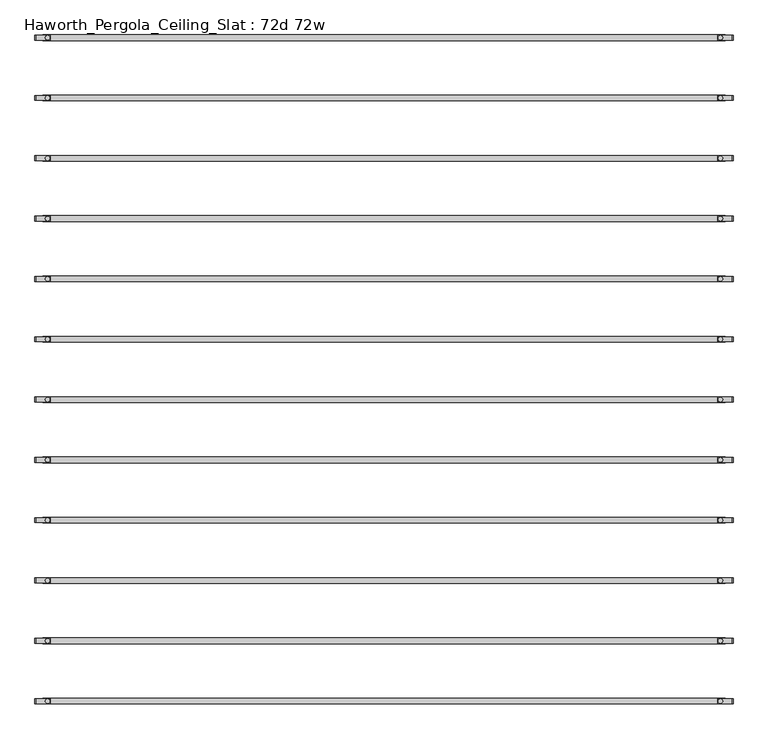
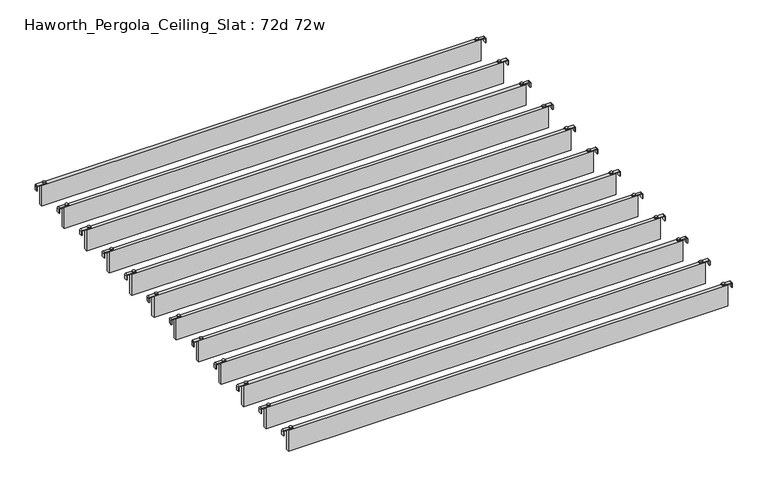
"""IFC4 building model written with IfcOpenShell, lengths in millimetres: furniture geometry, Haworth_Pergola_Ceiling_Slat : 72d 72w."""

from ifc_helpers import new_model, si_unit, point, frame, frame_2d, origin, place, context, project, spatial, polyline, circle_curve, trimmed, segment, composite_curve, outline, extrude, source, transform, mapped, element, save


def haworth_pergola_ceiling_slat_72d_72w_d11750d4(model_context):
    return source(origin(), model_context, "Body", "SweptSolid", [
        extrude(outline(composite_curve([segment(trimmed(circle_curve(frame_2d((938.8, -611.3433636)), 5.9838099), [point((932.8161901, -611.3433636))], [point((944.7838099, -611.3433636))], False, "CARTESIAN"), True, "CONTINUOUS"), segment(trimmed(circle_curve(frame_2d((938.8, -611.3433636)), 5.9838099), [point((944.7838099, -611.3433636))], [point((932.8161901, -611.3433636))], False, "CARTESIAN"), True, "CONTINUOUS")], self_intersect=False)), frame((0.0, 0.0, 2440.9329992), z_axis=(0.0, 0.0, 1.0), x_axis=(1.0, 0.0, 0.0)), (0.0, 0.0, 1.0), 3.4400008),
        extrude(outline(composite_curve([segment(trimmed(circle_curve(frame_2d((-862.6, -611.3433636)), 5.9838099), [point((-856.6161901, -611.3433636))], [point((-868.5838099, -611.3433636))], False, "CARTESIAN"), True, "CONTINUOUS"), segment(trimmed(circle_curve(frame_2d((-862.6, -611.3433636)), 5.9838099), [point((-868.5838099, -611.3433636))], [point((-856.6161901, -611.3433636))], False, "CARTESIAN"), True, "CONTINUOUS")], self_intersect=False)), frame((0.0, 0.0, 2440.9329992), z_axis=(0.0, 0.0, 1.0), x_axis=(1.0, 0.0, 0.0)), (0.0, 0.0, 1.0), 3.4400008),
        extrude(outline(composite_curve([segment(polyline([(2419.2231711, 972.96), (2437.2499992, 972.96)]), True, "CONTINUOUS"), segment(trimmed(circle_curve(frame_2d((2437.2499992, 969.277)), 3.683), [point((2437.2499992, 972.96))], [point((2440.9329992, 969.277))], False, "CARTESIAN"), True, "CONTINUOUS"), segment(polyline([(2440.9329992, 969.277), (2440.9329992, 932.3), (2438.2729997, 932.3), (2438.2729997, 969.2905568)]), True, "CONTINUOUS"), segment(trimmed(circle_curve(frame_2d((2437.2635571, 969.2905568)), 1.0094425), [point((2438.2729997, 969.2905568))], [point((2437.2635571, 970.2999993))], True, "CARTESIAN"), True, "CONTINUOUS"), segment(polyline([(2437.2635571, 970.2999993), (2419.2231711, 970.2999993), (2419.2231711, 972.96)]), True, "CONTINUOUS")], self_intersect=False)), frame((0.0, -617.836364, 0.0), z_axis=(0.0, 1.0, 0.0), x_axis=(0.0, 0.0, 1.0)), (0.0, 0.0, 1.0), 13.0),
        extrude(outline(composite_curve([segment(polyline([(2419.2231711, -896.76), (2419.2231711, -894.0999993), (2437.2635571, -894.0999993)]), True, "CONTINUOUS"), segment(trimmed(circle_curve(frame_2d((2437.2635571, -893.0905568)), 1.0094425), [point((2437.2635571, -894.0999993))], [point((2438.2729997, -893.0905568))], True, "CARTESIAN"), True, "CONTINUOUS"), segment(polyline([(2438.2729997, -893.0905568), (2438.2729997, -856.1), (2440.9329992, -856.1), (2440.9329992, -893.077)]), True, "CONTINUOUS"), segment(trimmed(circle_curve(frame_2d((2437.2499992, -893.077)), 3.683), [point((2440.9329992, -893.077))], [point((2437.2499992, -896.76))], False, "CARTESIAN"), True, "CONTINUOUS"), segment(polyline([(2437.2499992, -896.76), (2419.2231711, -896.76)]), True, "CONTINUOUS")], self_intersect=False)), frame((0.0, -617.836364, 0.0), z_axis=(0.0, 1.0, 0.0), x_axis=(0.0, 0.0, 1.0)), (0.0, 0.0, 1.0), 13.0),
        extrude(outline(polyline([(-876.3, -618.8363636), (-876.3, -603.8503636), (952.5, -603.8503636), (952.5, -618.8363636), (-876.3, -618.8363636)])), frame((0.0, 0.0, 2346.198), z_axis=(0.0, 0.0, 1.0), x_axis=(1.0, 0.0, 0.0)), (0.0, 0.0, 1.0), 92.202),
        extrude(outline(composite_curve([segment(trimmed(circle_curve(frame_2d((938.8, -772.9797273)), 5.9838099), [point((932.8161901, -772.9797273))], [point((944.7838099, -772.9797273))], False, "CARTESIAN"), True, "CONTINUOUS"), segment(trimmed(circle_curve(frame_2d((938.8, -772.9797273)), 5.9838099), [point((944.7838099, -772.9797273))], [point((932.8161901, -772.9797273))], False, "CARTESIAN"), True, "CONTINUOUS")], self_intersect=False)), frame((0.0, 0.0, 2440.9329992), z_axis=(0.0, 0.0, 1.0), x_axis=(1.0, 0.0, 0.0)), (0.0, 0.0, 1.0), 3.4400008),
        extrude(outline(composite_curve([segment(trimmed(circle_curve(frame_2d((-862.6, -772.9797273)), 5.9838099), [point((-856.6161901, -772.9797273))], [point((-868.5838099, -772.9797273))], False, "CARTESIAN"), True, "CONTINUOUS"), segment(trimmed(circle_curve(frame_2d((-862.6, -772.9797273)), 5.9838099), [point((-868.5838099, -772.9797273))], [point((-856.6161901, -772.9797273))], False, "CARTESIAN"), True, "CONTINUOUS")], self_intersect=False)), frame((0.0, 0.0, 2440.9329992), z_axis=(0.0, 0.0, 1.0), x_axis=(1.0, 0.0, 0.0)), (0.0, 0.0, 1.0), 3.4400008),
        extrude(outline(composite_curve([segment(polyline([(2419.2231711, 972.96), (2437.2499992, 972.96)]), True, "CONTINUOUS"), segment(trimmed(circle_curve(frame_2d((2437.2499992, 969.277)), 3.683), [point((2437.2499992, 972.96))], [point((2440.9329992, 969.277))], False, "CARTESIAN"), True, "CONTINUOUS"), segment(polyline([(2440.9329992, 969.277), (2440.9329992, 932.3), (2438.2729997, 932.3), (2438.2729997, 969.2905568)]), True, "CONTINUOUS"), segment(trimmed(circle_curve(frame_2d((2437.2635571, 969.2905568)), 1.0094425), [point((2438.2729997, 969.2905568))], [point((2437.2635571, 970.2999993))], True, "CARTESIAN"), True, "CONTINUOUS"), segment(polyline([(2437.2635571, 970.2999993), (2419.2231711, 970.2999993), (2419.2231711, 972.96)]), True, "CONTINUOUS")], self_intersect=False)), frame((0.0, -779.4727276, 0.0), z_axis=(0.0, 1.0, 0.0), x_axis=(0.0, 0.0, 1.0)), (0.0, 0.0, 1.0), 13.0),
        extrude(outline(composite_curve([segment(polyline([(2419.2231711, -896.76), (2419.2231711, -894.0999993), (2437.2635571, -894.0999993)]), True, "CONTINUOUS"), segment(trimmed(circle_curve(frame_2d((2437.2635571, -893.0905568)), 1.0094425), [point((2437.2635571, -894.0999993))], [point((2438.2729997, -893.0905568))], True, "CARTESIAN"), True, "CONTINUOUS"), segment(polyline([(2438.2729997, -893.0905568), (2438.2729997, -856.1), (2440.9329992, -856.1), (2440.9329992, -893.077)]), True, "CONTINUOUS"), segment(trimmed(circle_curve(frame_2d((2437.2499992, -893.077)), 3.683), [point((2440.9329992, -893.077))], [point((2437.2499992, -896.76))], False, "CARTESIAN"), True, "CONTINUOUS"), segment(polyline([(2437.2499992, -896.76), (2419.2231711, -896.76)]), True, "CONTINUOUS")], self_intersect=False)), frame((0.0, -779.4727276, 0.0), z_axis=(0.0, 1.0, 0.0), x_axis=(0.0, 0.0, 1.0)), (0.0, 0.0, 1.0), 13.0),
        extrude(outline(polyline([(-876.3, -780.4727273), (-876.3, -765.4867273), (952.5, -765.4867273), (952.5, -780.4727273), (-876.3, -780.4727273)])), frame((0.0, 0.0, 2346.198), z_axis=(0.0, 0.0, 1.0), x_axis=(1.0, 0.0, 0.0)), (0.0, 0.0, 1.0), 92.202),
        extrude(outline(composite_curve([segment(trimmed(circle_curve(frame_2d((938.8, -934.6160909)), 5.9838099), [point((932.8161901, -934.6160909))], [point((944.7838099, -934.6160909))], False, "CARTESIAN"), True, "CONTINUOUS"), segment(trimmed(circle_curve(frame_2d((938.8, -934.6160909)), 5.9838099), [point((944.7838099, -934.6160909))], [point((932.8161901, -934.6160909))], False, "CARTESIAN"), True, "CONTINUOUS")], self_intersect=False)), frame((0.0, 0.0, 2440.9329992), z_axis=(0.0, 0.0, 1.0), x_axis=(1.0, 0.0, 0.0)), (0.0, 0.0, 1.0), 3.4400008),
        extrude(outline(composite_curve([segment(trimmed(circle_curve(frame_2d((-862.6, -934.6160909)), 5.9838099), [point((-856.6161901, -934.6160909))], [point((-868.5838099, -934.6160909))], False, "CARTESIAN"), True, "CONTINUOUS"), segment(trimmed(circle_curve(frame_2d((-862.6, -934.6160909)), 5.9838099), [point((-868.5838099, -934.6160909))], [point((-856.6161901, -934.6160909))], False, "CARTESIAN"), True, "CONTINUOUS")], self_intersect=False)), frame((0.0, 0.0, 2440.9329992), z_axis=(0.0, 0.0, 1.0), x_axis=(1.0, 0.0, 0.0)), (0.0, 0.0, 1.0), 3.4400008),
        extrude(outline(composite_curve([segment(polyline([(2419.2231711, 972.96), (2437.2499992, 972.96)]), True, "CONTINUOUS"), segment(trimmed(circle_curve(frame_2d((2437.2499992, 969.277)), 3.683), [point((2437.2499992, 972.96))], [point((2440.9329992, 969.277))], False, "CARTESIAN"), True, "CONTINUOUS"), segment(polyline([(2440.9329992, 969.277), (2440.9329992, 932.3), (2438.2729997, 932.3), (2438.2729997, 969.2905568)]), True, "CONTINUOUS"), segment(trimmed(circle_curve(frame_2d((2437.2635571, 969.2905568)), 1.0094425), [point((2438.2729997, 969.2905568))], [point((2437.2635571, 970.2999993))], True, "CARTESIAN"), True, "CONTINUOUS"), segment(polyline([(2437.2635571, 970.2999993), (2419.2231711, 970.2999993), (2419.2231711, 972.96)]), True, "CONTINUOUS")], self_intersect=False)), frame((0.0, -941.1090912, 0.0), z_axis=(0.0, 1.0, 0.0), x_axis=(0.0, 0.0, 1.0)), (0.0, 0.0, 1.0), 13.0),
        extrude(outline(composite_curve([segment(polyline([(2419.2231711, -896.76), (2419.2231711, -894.0999993), (2437.2635571, -894.0999993)]), True, "CONTINUOUS"), segment(trimmed(circle_curve(frame_2d((2437.2635571, -893.0905568)), 1.0094425), [point((2437.2635571, -894.0999993))], [point((2438.2729997, -893.0905568))], True, "CARTESIAN"), True, "CONTINUOUS"), segment(polyline([(2438.2729997, -893.0905568), (2438.2729997, -856.1), (2440.9329992, -856.1), (2440.9329992, -893.077)]), True, "CONTINUOUS"), segment(trimmed(circle_curve(frame_2d((2437.2499992, -893.077)), 3.683), [point((2440.9329992, -893.077))], [point((2437.2499992, -896.76))], False, "CARTESIAN"), True, "CONTINUOUS"), segment(polyline([(2437.2499992, -896.76), (2419.2231711, -896.76)]), True, "CONTINUOUS")], self_intersect=False)), frame((0.0, -941.1090912, 0.0), z_axis=(0.0, 1.0, 0.0), x_axis=(0.0, 0.0, 1.0)), (0.0, 0.0, 1.0), 13.0),
        extrude(outline(polyline([(-876.3, -942.1090909), (-876.3, -927.1230909), (952.5, -927.1230909), (952.5, -942.1090909), (-876.3, -942.1090909)])), frame((0.0, 0.0, 2346.198), z_axis=(0.0, 0.0, 1.0), x_axis=(1.0, 0.0, 0.0)), (0.0, 0.0, 1.0), 92.202),
        extrude(outline(composite_curve([segment(trimmed(circle_curve(frame_2d((938.8, -1096.2524545)), 5.9838099), [point((932.8161901, -1096.2524545))], [point((944.7838099, -1096.2524545))], False, "CARTESIAN"), True, "CONTINUOUS"), segment(trimmed(circle_curve(frame_2d((938.8, -1096.2524545)), 5.9838099), [point((944.7838099, -1096.2524545))], [point((932.8161901, -1096.2524545))], False, "CARTESIAN"), True, "CONTINUOUS")], self_intersect=False)), frame((0.0, 0.0, 2440.9329992), z_axis=(0.0, 0.0, 1.0), x_axis=(1.0, 0.0, 0.0)), (0.0, 0.0, 1.0), 3.4400008),
        extrude(outline(composite_curve([segment(trimmed(circle_curve(frame_2d((-862.6, -1096.2524545)), 5.9838099), [point((-856.6161901, -1096.2524545))], [point((-868.5838099, -1096.2524545))], False, "CARTESIAN"), True, "CONTINUOUS"), segment(trimmed(circle_curve(frame_2d((-862.6, -1096.2524545)), 5.9838099), [point((-868.5838099, -1096.2524545))], [point((-856.6161901, -1096.2524545))], False, "CARTESIAN"), True, "CONTINUOUS")], self_intersect=False)), frame((0.0, 0.0, 2440.9329992), z_axis=(0.0, 0.0, 1.0), x_axis=(1.0, 0.0, 0.0)), (0.0, 0.0, 1.0), 3.4400008),
        extrude(outline(composite_curve([segment(polyline([(2419.2231711, 972.96), (2437.2499992, 972.96)]), True, "CONTINUOUS"), segment(trimmed(circle_curve(frame_2d((2437.2499992, 969.277)), 3.683), [point((2437.2499992, 972.96))], [point((2440.9329992, 969.277))], False, "CARTESIAN"), True, "CONTINUOUS"), segment(polyline([(2440.9329992, 969.277), (2440.9329992, 932.3), (2438.2729997, 932.3), (2438.2729997, 969.2905568)]), True, "CONTINUOUS"), segment(trimmed(circle_curve(frame_2d((2437.2635571, 969.2905568)), 1.0094425), [point((2438.2729997, 969.2905568))], [point((2437.2635571, 970.2999993))], True, "CARTESIAN"), True, "CONTINUOUS"), segment(polyline([(2437.2635571, 970.2999993), (2419.2231711, 970.2999993), (2419.2231711, 972.96)]), True, "CONTINUOUS")], self_intersect=False)), frame((0.0, -1102.7454549, 0.0), z_axis=(0.0, 1.0, 0.0), x_axis=(0.0, 0.0, 1.0)), (0.0, 0.0, 1.0), 13.0),
        extrude(outline(composite_curve([segment(polyline([(2419.2231711, -896.76), (2419.2231711, -894.0999993), (2437.2635571, -894.0999993)]), True, "CONTINUOUS"), segment(trimmed(circle_curve(frame_2d((2437.2635571, -893.0905568)), 1.0094425), [point((2437.2635571, -894.0999993))], [point((2438.2729997, -893.0905568))], True, "CARTESIAN"), True, "CONTINUOUS"), segment(polyline([(2438.2729997, -893.0905568), (2438.2729997, -856.1), (2440.9329992, -856.1), (2440.9329992, -893.077)]), True, "CONTINUOUS"), segment(trimmed(circle_curve(frame_2d((2437.2499992, -893.077)), 3.683), [point((2440.9329992, -893.077))], [point((2437.2499992, -896.76))], False, "CARTESIAN"), True, "CONTINUOUS"), segment(polyline([(2437.2499992, -896.76), (2419.2231711, -896.76)]), True, "CONTINUOUS")], self_intersect=False)), frame((0.0, -1102.7454549, 0.0), z_axis=(0.0, 1.0, 0.0), x_axis=(0.0, 0.0, 1.0)), (0.0, 0.0, 1.0), 13.0),
        extrude(outline(polyline([(-876.3, -1103.7454545), (-876.3, -1088.7594545), (952.5, -1088.7594545), (952.5, -1103.7454545), (-876.3, -1103.7454545)])), frame((0.0, 0.0, 2346.198), z_axis=(0.0, 0.0, 1.0), x_axis=(1.0, 0.0, 0.0)), (0.0, 0.0, 1.0), 92.202),
        extrude(outline(composite_curve([segment(trimmed(circle_curve(frame_2d((938.8, -1257.8888182)), 5.9838099), [point((932.8161901, -1257.8888182))], [point((944.7838099, -1257.8888182))], False, "CARTESIAN"), True, "CONTINUOUS"), segment(trimmed(circle_curve(frame_2d((938.8, -1257.8888182)), 5.9838099), [point((944.7838099, -1257.8888182))], [point((932.8161901, -1257.8888182))], False, "CARTESIAN"), True, "CONTINUOUS")], self_intersect=False)), frame((0.0, 0.0, 2440.9329992), z_axis=(0.0, 0.0, 1.0), x_axis=(1.0, 0.0, 0.0)), (0.0, 0.0, 1.0), 3.4400008),
        extrude(outline(composite_curve([segment(trimmed(circle_curve(frame_2d((-862.6, -1257.8888182)), 5.9838099), [point((-856.6161901, -1257.8888182))], [point((-868.5838099, -1257.8888182))], False, "CARTESIAN"), True, "CONTINUOUS"), segment(trimmed(circle_curve(frame_2d((-862.6, -1257.8888182)), 5.9838099), [point((-868.5838099, -1257.8888182))], [point((-856.6161901, -1257.8888182))], False, "CARTESIAN"), True, "CONTINUOUS")], self_intersect=False)), frame((0.0, 0.0, 2440.9329992), z_axis=(0.0, 0.0, 1.0), x_axis=(1.0, 0.0, 0.0)), (0.0, 0.0, 1.0), 3.4400008),
        extrude(outline(composite_curve([segment(polyline([(2419.2231711, 972.96), (2437.2499992, 972.96)]), True, "CONTINUOUS"), segment(trimmed(circle_curve(frame_2d((2437.2499992, 969.277)), 3.683), [point((2437.2499992, 972.96))], [point((2440.9329992, 969.277))], False, "CARTESIAN"), True, "CONTINUOUS"), segment(polyline([(2440.9329992, 969.277), (2440.9329992, 932.3), (2438.2729997, 932.3), (2438.2729997, 969.2905568)]), True, "CONTINUOUS"), segment(trimmed(circle_curve(frame_2d((2437.2635571, 969.2905568)), 1.0094425), [point((2438.2729997, 969.2905568))], [point((2437.2635571, 970.2999993))], True, "CARTESIAN"), True, "CONTINUOUS"), segment(polyline([(2437.2635571, 970.2999993), (2419.2231711, 970.2999993), (2419.2231711, 972.96)]), True, "CONTINUOUS")], self_intersect=False)), frame((0.0, -1264.3818185, 0.0), z_axis=(0.0, 1.0, 0.0), x_axis=(0.0, 0.0, 1.0)), (0.0, 0.0, 1.0), 13.0),
        extrude(outline(composite_curve([segment(polyline([(2419.2231711, -896.76), (2419.2231711, -894.0999993), (2437.2635571, -894.0999993)]), True, "CONTINUOUS"), segment(trimmed(circle_curve(frame_2d((2437.2635571, -893.0905568)), 1.0094425), [point((2437.2635571, -894.0999993))], [point((2438.2729997, -893.0905568))], True, "CARTESIAN"), True, "CONTINUOUS"), segment(polyline([(2438.2729997, -893.0905568), (2438.2729997, -856.1), (2440.9329992, -856.1), (2440.9329992, -893.077)]), True, "CONTINUOUS"), segment(trimmed(circle_curve(frame_2d((2437.2499992, -893.077)), 3.683), [point((2440.9329992, -893.077))], [point((2437.2499992, -896.76))], False, "CARTESIAN"), True, "CONTINUOUS"), segment(polyline([(2437.2499992, -896.76), (2419.2231711, -896.76)]), True, "CONTINUOUS")], self_intersect=False)), frame((0.0, -1264.3818185, 0.0), z_axis=(0.0, 1.0, 0.0), x_axis=(0.0, 0.0, 1.0)), (0.0, 0.0, 1.0), 13.0),
        extrude(outline(polyline([(-876.3, -1265.3818182), (-876.3, -1250.3958182), (952.5, -1250.3958182), (952.5, -1265.3818182), (-876.3, -1265.3818182)])), frame((0.0, 0.0, 2346.198), z_axis=(0.0, 0.0, 1.0), x_axis=(1.0, 0.0, 0.0)), (0.0, 0.0, 1.0), 92.202),
        extrude(outline(composite_curve([segment(trimmed(circle_curve(frame_2d((938.8, -1419.5251818)), 5.9838099), [point((932.8161901, -1419.5251818))], [point((944.7838099, -1419.5251818))], False, "CARTESIAN"), True, "CONTINUOUS"), segment(trimmed(circle_curve(frame_2d((938.8, -1419.5251818)), 5.9838099), [point((944.7838099, -1419.5251818))], [point((932.8161901, -1419.5251818))], False, "CARTESIAN"), True, "CONTINUOUS")], self_intersect=False)), frame((0.0, 0.0, 2440.9329992), z_axis=(0.0, 0.0, 1.0), x_axis=(1.0, 0.0, 0.0)), (0.0, 0.0, 1.0), 3.4400008),
        extrude(outline(composite_curve([segment(trimmed(circle_curve(frame_2d((-862.6, -1419.5251818)), 5.9838099), [point((-856.6161901, -1419.5251818))], [point((-868.5838099, -1419.5251818))], False, "CARTESIAN"), True, "CONTINUOUS"), segment(trimmed(circle_curve(frame_2d((-862.6, -1419.5251818)), 5.9838099), [point((-868.5838099, -1419.5251818))], [point((-856.6161901, -1419.5251818))], False, "CARTESIAN"), True, "CONTINUOUS")], self_intersect=False)), frame((0.0, 0.0, 2440.9329992), z_axis=(0.0, 0.0, 1.0), x_axis=(1.0, 0.0, 0.0)), (0.0, 0.0, 1.0), 3.4400008),
        extrude(outline(composite_curve([segment(polyline([(2419.2231711, 972.96), (2437.2499992, 972.96)]), True, "CONTINUOUS"), segment(trimmed(circle_curve(frame_2d((2437.2499992, 969.277)), 3.683), [point((2437.2499992, 972.96))], [point((2440.9329992, 969.277))], False, "CARTESIAN"), True, "CONTINUOUS"), segment(polyline([(2440.9329992, 969.277), (2440.9329992, 932.3), (2438.2729997, 932.3), (2438.2729997, 969.2905568)]), True, "CONTINUOUS"), segment(trimmed(circle_curve(frame_2d((2437.2635571, 969.2905568)), 1.0094425), [point((2438.2729997, 969.2905568))], [point((2437.2635571, 970.2999993))], True, "CARTESIAN"), True, "CONTINUOUS"), segment(polyline([(2437.2635571, 970.2999993), (2419.2231711, 970.2999993), (2419.2231711, 972.96)]), True, "CONTINUOUS")], self_intersect=False)), frame((0.0, -1426.0181822, 0.0), z_axis=(0.0, 1.0, 0.0), x_axis=(0.0, 0.0, 1.0)), (0.0, 0.0, 1.0), 13.0),
        extrude(outline(composite_curve([segment(polyline([(2419.2231711, -896.76), (2419.2231711, -894.0999993), (2437.2635571, -894.0999993)]), True, "CONTINUOUS"), segment(trimmed(circle_curve(frame_2d((2437.2635571, -893.0905568)), 1.0094425), [point((2437.2635571, -894.0999993))], [point((2438.2729997, -893.0905568))], True, "CARTESIAN"), True, "CONTINUOUS"), segment(polyline([(2438.2729997, -893.0905568), (2438.2729997, -856.1), (2440.9329992, -856.1), (2440.9329992, -893.077)]), True, "CONTINUOUS"), segment(trimmed(circle_curve(frame_2d((2437.2499992, -893.077)), 3.683), [point((2440.9329992, -893.077))], [point((2437.2499992, -896.76))], False, "CARTESIAN"), True, "CONTINUOUS"), segment(polyline([(2437.2499992, -896.76), (2419.2231711, -896.76)]), True, "CONTINUOUS")], self_intersect=False)), frame((0.0, -1426.0181822, 0.0), z_axis=(0.0, 1.0, 0.0), x_axis=(0.0, 0.0, 1.0)), (0.0, 0.0, 1.0), 13.0),
        extrude(outline(polyline([(-876.3, -1427.0181818), (-876.3, -1412.0321818), (952.5, -1412.0321818), (952.5, -1427.0181818), (-876.3, -1427.0181818)])), frame((0.0, 0.0, 2346.198), z_axis=(0.0, 0.0, 1.0), x_axis=(1.0, 0.0, 0.0)), (0.0, 0.0, 1.0), 92.202),
        extrude(outline(composite_curve([segment(trimmed(circle_curve(frame_2d((938.8, -1581.1615455)), 5.9838099), [point((932.8161901, -1581.1615455))], [point((944.7838099, -1581.1615455))], False, "CARTESIAN"), True, "CONTINUOUS"), segment(trimmed(circle_curve(frame_2d((938.8, -1581.1615455)), 5.9838099), [point((944.7838099, -1581.1615455))], [point((932.8161901, -1581.1615455))], False, "CARTESIAN"), True, "CONTINUOUS")], self_intersect=False)), frame((0.0, 0.0, 2440.9329992), z_axis=(0.0, 0.0, 1.0), x_axis=(1.0, 0.0, 0.0)), (0.0, 0.0, 1.0), 3.4400008),
        extrude(outline(composite_curve([segment(trimmed(circle_curve(frame_2d((-862.6, -1581.1615455)), 5.9838099), [point((-856.6161901, -1581.1615455))], [point((-868.5838099, -1581.1615455))], False, "CARTESIAN"), True, "CONTINUOUS"), segment(trimmed(circle_curve(frame_2d((-862.6, -1581.1615455)), 5.9838099), [point((-868.5838099, -1581.1615455))], [point((-856.6161901, -1581.1615455))], False, "CARTESIAN"), True, "CONTINUOUS")], self_intersect=False)), frame((0.0, 0.0, 2440.9329992), z_axis=(0.0, 0.0, 1.0), x_axis=(1.0, 0.0, 0.0)), (0.0, 0.0, 1.0), 3.4400008),
        extrude(outline(composite_curve([segment(polyline([(2419.2231711, 972.96), (2437.2499992, 972.96)]), True, "CONTINUOUS"), segment(trimmed(circle_curve(frame_2d((2437.2499992, 969.277)), 3.683), [point((2437.2499992, 972.96))], [point((2440.9329992, 969.277))], False, "CARTESIAN"), True, "CONTINUOUS"), segment(polyline([(2440.9329992, 969.277), (2440.9329992, 932.3), (2438.2729997, 932.3), (2438.2729997, 969.2905568)]), True, "CONTINUOUS"), segment(trimmed(circle_curve(frame_2d((2437.2635571, 969.2905568)), 1.0094425), [point((2438.2729997, 969.2905568))], [point((2437.2635571, 970.2999993))], True, "CARTESIAN"), True, "CONTINUOUS"), segment(polyline([(2437.2635571, 970.2999993), (2419.2231711, 970.2999993), (2419.2231711, 972.96)]), True, "CONTINUOUS")], self_intersect=False)), frame((0.0, -1587.6545458, 0.0), z_axis=(0.0, 1.0, 0.0), x_axis=(0.0, 0.0, 1.0)), (0.0, 0.0, 1.0), 13.0),
        extrude(outline(composite_curve([segment(polyline([(2419.2231711, -896.76), (2419.2231711, -894.0999993), (2437.2635571, -894.0999993)]), True, "CONTINUOUS"), segment(trimmed(circle_curve(frame_2d((2437.2635571, -893.0905568)), 1.0094425), [point((2437.2635571, -894.0999993))], [point((2438.2729997, -893.0905568))], True, "CARTESIAN"), True, "CONTINUOUS"), segment(polyline([(2438.2729997, -893.0905568), (2438.2729997, -856.1), (2440.9329992, -856.1), (2440.9329992, -893.077)]), True, "CONTINUOUS"), segment(trimmed(circle_curve(frame_2d((2437.2499992, -893.077)), 3.683), [point((2440.9329992, -893.077))], [point((2437.2499992, -896.76))], False, "CARTESIAN"), True, "CONTINUOUS"), segment(polyline([(2437.2499992, -896.76), (2419.2231711, -896.76)]), True, "CONTINUOUS")], self_intersect=False)), frame((0.0, -1587.6545458, 0.0), z_axis=(0.0, 1.0, 0.0), x_axis=(0.0, 0.0, 1.0)), (0.0, 0.0, 1.0), 13.0),
        extrude(outline(polyline([(-876.3, -1588.6545455), (-876.3, -1573.6685455), (952.5, -1573.6685455), (952.5, -1588.6545455), (-876.3, -1588.6545455)])), frame((0.0, 0.0, 2346.198), z_axis=(0.0, 0.0, 1.0), x_axis=(1.0, 0.0, 0.0)), (0.0, 0.0, 1.0), 92.202),
        extrude(outline(composite_curve([segment(trimmed(circle_curve(frame_2d((938.8, -1742.7979091)), 5.9838099), [point((932.8161901, -1742.7979091))], [point((944.7838099, -1742.7979091))], False, "CARTESIAN"), True, "CONTINUOUS"), segment(trimmed(circle_curve(frame_2d((938.8, -1742.7979091)), 5.9838099), [point((944.7838099, -1742.7979091))], [point((932.8161901, -1742.7979091))], False, "CARTESIAN"), True, "CONTINUOUS")], self_intersect=False)), frame((0.0, 0.0, 2440.9329992), z_axis=(0.0, 0.0, 1.0), x_axis=(1.0, 0.0, 0.0)), (0.0, 0.0, 1.0), 3.4400008),
        extrude(outline(composite_curve([segment(trimmed(circle_curve(frame_2d((-862.6, -1742.7979091)), 5.9838099), [point((-856.6161901, -1742.7979091))], [point((-868.5838099, -1742.7979091))], False, "CARTESIAN"), True, "CONTINUOUS"), segment(trimmed(circle_curve(frame_2d((-862.6, -1742.7979091)), 5.9838099), [point((-868.5838099, -1742.7979091))], [point((-856.6161901, -1742.7979091))], False, "CARTESIAN"), True, "CONTINUOUS")], self_intersect=False)), frame((0.0, 0.0, 2440.9329992), z_axis=(0.0, 0.0, 1.0), x_axis=(1.0, 0.0, 0.0)), (0.0, 0.0, 1.0), 3.4400008),
        extrude(outline(composite_curve([segment(polyline([(2419.2231711, 972.96), (2437.2499992, 972.96)]), True, "CONTINUOUS"), segment(trimmed(circle_curve(frame_2d((2437.2499992, 969.277)), 3.683), [point((2437.2499992, 972.96))], [point((2440.9329992, 969.277))], False, "CARTESIAN"), True, "CONTINUOUS"), segment(polyline([(2440.9329992, 969.277), (2440.9329992, 932.3), (2438.2729997, 932.3), (2438.2729997, 969.2905568)]), True, "CONTINUOUS"), segment(trimmed(circle_curve(frame_2d((2437.2635571, 969.2905568)), 1.0094425), [point((2438.2729997, 969.2905568))], [point((2437.2635571, 970.2999993))], True, "CARTESIAN"), True, "CONTINUOUS"), segment(polyline([(2437.2635571, 970.2999993), (2419.2231711, 970.2999993), (2419.2231711, 972.96)]), True, "CONTINUOUS")], self_intersect=False)), frame((0.0, -1749.2909094, 0.0), z_axis=(0.0, 1.0, 0.0), x_axis=(0.0, 0.0, 1.0)), (0.0, 0.0, 1.0), 13.0),
        extrude(outline(composite_curve([segment(polyline([(2419.2231711, -896.76), (2419.2231711, -894.0999993), (2437.2635571, -894.0999993)]), True, "CONTINUOUS"), segment(trimmed(circle_curve(frame_2d((2437.2635571, -893.0905568)), 1.0094425), [point((2437.2635571, -894.0999993))], [point((2438.2729997, -893.0905568))], True, "CARTESIAN"), True, "CONTINUOUS"), segment(polyline([(2438.2729997, -893.0905568), (2438.2729997, -856.1), (2440.9329992, -856.1), (2440.9329992, -893.077)]), True, "CONTINUOUS"), segment(trimmed(circle_curve(frame_2d((2437.2499992, -893.077)), 3.683), [point((2440.9329992, -893.077))], [point((2437.2499992, -896.76))], False, "CARTESIAN"), True, "CONTINUOUS"), segment(polyline([(2437.2499992, -896.76), (2419.2231711, -896.76)]), True, "CONTINUOUS")], self_intersect=False)), frame((0.0, -1749.2909094, 0.0), z_axis=(0.0, 1.0, 0.0), x_axis=(0.0, 0.0, 1.0)), (0.0, 0.0, 1.0), 13.0),
        extrude(outline(polyline([(-876.3, -1750.2909091), (-876.3, -1735.3049091), (952.5, -1735.3049091), (952.5, -1750.2909091), (-876.3, -1750.2909091)])), frame((0.0, 0.0, 2346.198), z_axis=(0.0, 0.0, 1.0), x_axis=(1.0, 0.0, 0.0)), (0.0, 0.0, 1.0), 92.202),
        extrude(outline(composite_curve([segment(trimmed(circle_curve(frame_2d((938.8, -1904.4342727)), 5.9838099), [point((932.8161901, -1904.4342727))], [point((944.7838099, -1904.4342727))], False, "CARTESIAN"), True, "CONTINUOUS"), segment(trimmed(circle_curve(frame_2d((938.8, -1904.4342727)), 5.9838099), [point((944.7838099, -1904.4342727))], [point((932.8161901, -1904.4342727))], False, "CARTESIAN"), True, "CONTINUOUS")], self_intersect=False)), frame((0.0, 0.0, 2440.9329992), z_axis=(0.0, 0.0, 1.0), x_axis=(1.0, 0.0, 0.0)), (0.0, 0.0, 1.0), 3.4400008),
        extrude(outline(composite_curve([segment(trimmed(circle_curve(frame_2d((-862.6, -1904.4342727)), 5.9838099), [point((-856.6161901, -1904.4342727))], [point((-868.5838099, -1904.4342727))], False, "CARTESIAN"), True, "CONTINUOUS"), segment(trimmed(circle_curve(frame_2d((-862.6, -1904.4342727)), 5.9838099), [point((-868.5838099, -1904.4342727))], [point((-856.6161901, -1904.4342727))], False, "CARTESIAN"), True, "CONTINUOUS")], self_intersect=False)), frame((0.0, 0.0, 2440.9329992), z_axis=(0.0, 0.0, 1.0), x_axis=(1.0, 0.0, 0.0)), (0.0, 0.0, 1.0), 3.4400008),
        extrude(outline(composite_curve([segment(polyline([(2419.2231711, 972.96), (2437.2499992, 972.96)]), True, "CONTINUOUS"), segment(trimmed(circle_curve(frame_2d((2437.2499992, 969.277)), 3.683), [point((2437.2499992, 972.96))], [point((2440.9329992, 969.277))], False, "CARTESIAN"), True, "CONTINUOUS"), segment(polyline([(2440.9329992, 969.277), (2440.9329992, 932.3), (2438.2729997, 932.3), (2438.2729997, 969.2905568)]), True, "CONTINUOUS"), segment(trimmed(circle_curve(frame_2d((2437.2635571, 969.2905568)), 1.0094425), [point((2438.2729997, 969.2905568))], [point((2437.2635571, 970.2999993))], True, "CARTESIAN"), True, "CONTINUOUS"), segment(polyline([(2437.2635571, 970.2999993), (2419.2231711, 970.2999993), (2419.2231711, 972.96)]), True, "CONTINUOUS")], self_intersect=False)), frame((0.0, -1910.9272731, 0.0), z_axis=(0.0, 1.0, 0.0), x_axis=(0.0, 0.0, 1.0)), (0.0, 0.0, 1.0), 13.0),
        extrude(outline(composite_curve([segment(polyline([(2419.2231711, -896.76), (2419.2231711, -894.0999993), (2437.2635571, -894.0999993)]), True, "CONTINUOUS"), segment(trimmed(circle_curve(frame_2d((2437.2635571, -893.0905568)), 1.0094425), [point((2437.2635571, -894.0999993))], [point((2438.2729997, -893.0905568))], True, "CARTESIAN"), True, "CONTINUOUS"), segment(polyline([(2438.2729997, -893.0905568), (2438.2729997, -856.1), (2440.9329992, -856.1), (2440.9329992, -893.077)]), True, "CONTINUOUS"), segment(trimmed(circle_curve(frame_2d((2437.2499992, -893.077)), 3.683), [point((2440.9329992, -893.077))], [point((2437.2499992, -896.76))], False, "CARTESIAN"), True, "CONTINUOUS"), segment(polyline([(2437.2499992, -896.76), (2419.2231711, -896.76)]), True, "CONTINUOUS")], self_intersect=False)), frame((0.0, -1910.9272731, 0.0), z_axis=(0.0, 1.0, 0.0), x_axis=(0.0, 0.0, 1.0)), (0.0, 0.0, 1.0), 13.0),
        extrude(outline(polyline([(-876.3, -1911.9272727), (-876.3, -1896.9412727), (952.5, -1896.9412727), (952.5, -1911.9272727), (-876.3, -1911.9272727)])), frame((0.0, 0.0, 2346.198), z_axis=(0.0, 0.0, 1.0), x_axis=(1.0, 0.0, 0.0)), (0.0, 0.0, 1.0), 92.202),
        extrude(outline(composite_curve([segment(trimmed(circle_curve(frame_2d((938.8, -2066.0706364)), 5.9838099), [point((932.8161901, -2066.0706364))], [point((944.7838099, -2066.0706364))], False, "CARTESIAN"), True, "CONTINUOUS"), segment(trimmed(circle_curve(frame_2d((938.8, -2066.0706364)), 5.9838099), [point((944.7838099, -2066.0706364))], [point((932.8161901, -2066.0706364))], False, "CARTESIAN"), True, "CONTINUOUS")], self_intersect=False)), frame((0.0, 0.0, 2440.9329992), z_axis=(0.0, 0.0, 1.0), x_axis=(1.0, 0.0, 0.0)), (0.0, 0.0, 1.0), 3.4400008),
        extrude(outline(composite_curve([segment(trimmed(circle_curve(frame_2d((-862.6, -2066.0706364)), 5.9838099), [point((-856.6161901, -2066.0706364))], [point((-868.5838099, -2066.0706364))], False, "CARTESIAN"), True, "CONTINUOUS"), segment(trimmed(circle_curve(frame_2d((-862.6, -2066.0706364)), 5.9838099), [point((-868.5838099, -2066.0706364))], [point((-856.6161901, -2066.0706364))], False, "CARTESIAN"), True, "CONTINUOUS")], self_intersect=False)), frame((0.0, 0.0, 2440.9329992), z_axis=(0.0, 0.0, 1.0), x_axis=(1.0, 0.0, 0.0)), (0.0, 0.0, 1.0), 3.4400008),
        extrude(outline(composite_curve([segment(polyline([(2419.2231711, 972.96), (2437.2499992, 972.96)]), True, "CONTINUOUS"), segment(trimmed(circle_curve(frame_2d((2437.2499992, 969.277)), 3.683), [point((2437.2499992, 972.96))], [point((2440.9329992, 969.277))], False, "CARTESIAN"), True, "CONTINUOUS"), segment(polyline([(2440.9329992, 969.277), (2440.9329992, 932.3), (2438.2729997, 932.3), (2438.2729997, 969.2905568)]), True, "CONTINUOUS"), segment(trimmed(circle_curve(frame_2d((2437.2635571, 969.2905568)), 1.0094425), [point((2438.2729997, 969.2905568))], [point((2437.2635571, 970.2999993))], True, "CARTESIAN"), True, "CONTINUOUS"), segment(polyline([(2437.2635571, 970.2999993), (2419.2231711, 970.2999993), (2419.2231711, 972.96)]), True, "CONTINUOUS")], self_intersect=False)), frame((0.0, -2072.5636367, 0.0), z_axis=(0.0, 1.0, 0.0), x_axis=(0.0, 0.0, 1.0)), (0.0, 0.0, 1.0), 13.0),
        extrude(outline(composite_curve([segment(polyline([(2419.2231711, -896.76), (2419.2231711, -894.0999993), (2437.2635571, -894.0999993)]), True, "CONTINUOUS"), segment(trimmed(circle_curve(frame_2d((2437.2635571, -893.0905568)), 1.0094425), [point((2437.2635571, -894.0999993))], [point((2438.2729997, -893.0905568))], True, "CARTESIAN"), True, "CONTINUOUS"), segment(polyline([(2438.2729997, -893.0905568), (2438.2729997, -856.1), (2440.9329992, -856.1), (2440.9329992, -893.077)]), True, "CONTINUOUS"), segment(trimmed(circle_curve(frame_2d((2437.2499992, -893.077)), 3.683), [point((2440.9329992, -893.077))], [point((2437.2499992, -896.76))], False, "CARTESIAN"), True, "CONTINUOUS"), segment(polyline([(2437.2499992, -896.76), (2419.2231711, -896.76)]), True, "CONTINUOUS")], self_intersect=False)), frame((0.0, -2072.5636367, 0.0), z_axis=(0.0, 1.0, 0.0), x_axis=(0.0, 0.0, 1.0)), (0.0, 0.0, 1.0), 13.0),
        extrude(outline(polyline([(-876.3, -2073.5636364), (-876.3, -2058.5776364), (952.5, -2058.5776364), (952.5, -2073.5636364), (-876.3, -2073.5636364)])), frame((0.0, 0.0, 2346.198), z_axis=(0.0, 0.0, 1.0), x_axis=(1.0, 0.0, 0.0)), (0.0, 0.0, 1.0), 92.202),
        extrude(outline(composite_curve([segment(trimmed(circle_curve(frame_2d((938.8, -449.707)), 5.9838099), [point((932.8161901, -449.707))], [point((944.7838099, -449.707))], False, "CARTESIAN"), True, "CONTINUOUS"), segment(trimmed(circle_curve(frame_2d((938.8, -449.707)), 5.9838099), [point((944.7838099, -449.707))], [point((932.8161901, -449.707))], False, "CARTESIAN"), True, "CONTINUOUS")], self_intersect=False)), frame((0.0, 0.0, 2440.9329992), z_axis=(0.0, 0.0, 1.0), x_axis=(1.0, 0.0, 0.0)), (0.0, 0.0, 1.0), 3.4400008),
        extrude(outline(composite_curve([segment(trimmed(circle_curve(frame_2d((-862.6, -449.707)), 5.9838099), [point((-856.6161901, -449.707))], [point((-868.5838099, -449.707))], False, "CARTESIAN"), True, "CONTINUOUS"), segment(trimmed(circle_curve(frame_2d((-862.6, -449.707)), 5.9838099), [point((-868.5838099, -449.707))], [point((-856.6161901, -449.707))], False, "CARTESIAN"), True, "CONTINUOUS")], self_intersect=False)), frame((0.0, 0.0, 2440.9329992), z_axis=(0.0, 0.0, 1.0), x_axis=(1.0, 0.0, 0.0)), (0.0, 0.0, 1.0), 3.4400008),
        extrude(outline(composite_curve([segment(polyline([(2419.2231711, 972.96), (2437.2499992, 972.96)]), True, "CONTINUOUS"), segment(trimmed(circle_curve(frame_2d((2437.2499992, 969.277)), 3.683), [point((2437.2499992, 972.96))], [point((2440.9329992, 969.277))], False, "CARTESIAN"), True, "CONTINUOUS"), segment(polyline([(2440.9329992, 969.277), (2440.9329992, 932.3), (2438.2729997, 932.3), (2438.2729997, 969.2905568)]), True, "CONTINUOUS"), segment(trimmed(circle_curve(frame_2d((2437.2635571, 969.2905568)), 1.0094425), [point((2438.2729997, 969.2905568))], [point((2437.2635571, 970.2999993))], True, "CARTESIAN"), True, "CONTINUOUS"), segment(polyline([(2437.2635571, 970.2999993), (2419.2231711, 970.2999993), (2419.2231711, 972.96)]), True, "CONTINUOUS")], self_intersect=False)), frame((0.0, -456.2000003, 0.0), z_axis=(0.0, 1.0, 0.0), x_axis=(0.0, 0.0, 1.0)), (0.0, 0.0, 1.0), 13.0),
        extrude(outline(composite_curve([segment(polyline([(2419.2231711, -896.76), (2419.2231711, -894.0999993), (2437.2635571, -894.0999993)]), True, "CONTINUOUS"), segment(trimmed(circle_curve(frame_2d((2437.2635571, -893.0905568)), 1.0094425), [point((2437.2635571, -894.0999993))], [point((2438.2729997, -893.0905568))], True, "CARTESIAN"), True, "CONTINUOUS"), segment(polyline([(2438.2729997, -893.0905568), (2438.2729997, -856.1), (2440.9329992, -856.1), (2440.9329992, -893.077)]), True, "CONTINUOUS"), segment(trimmed(circle_curve(frame_2d((2437.2499992, -893.077)), 3.683), [point((2440.9329992, -893.077))], [point((2437.2499992, -896.76))], False, "CARTESIAN"), True, "CONTINUOUS"), segment(polyline([(2437.2499992, -896.76), (2419.2231711, -896.76)]), True, "CONTINUOUS")], self_intersect=False)), frame((0.0, -456.2000003, 0.0), z_axis=(0.0, 1.0, 0.0), x_axis=(0.0, 0.0, 1.0)), (0.0, 0.0, 1.0), 13.0),
        extrude(outline(polyline([(-876.3, -457.2), (-876.3, -442.214), (952.5, -442.214), (952.5, -457.2), (-876.3, -457.2)])), frame((0.0, 0.0, 2346.198), z_axis=(0.0, 0.0, 1.0), x_axis=(1.0, 0.0, 0.0)), (0.0, 0.0, 1.0), 92.202),
        extrude(outline(composite_curve([segment(trimmed(circle_curve(frame_2d((938.8, -2227.707)), 5.9838099), [point((932.8161901, -2227.707))], [point((944.7838099, -2227.707))], False, "CARTESIAN"), True, "CONTINUOUS"), segment(trimmed(circle_curve(frame_2d((938.8, -2227.707)), 5.9838099), [point((944.7838099, -2227.707))], [point((932.8161901, -2227.707))], False, "CARTESIAN"), True, "CONTINUOUS")], self_intersect=False)), frame((0.0, 0.0, 2440.9329992), z_axis=(0.0, 0.0, 1.0), x_axis=(1.0, 0.0, 0.0)), (0.0, 0.0, 1.0), 3.4400008),
        extrude(outline(composite_curve([segment(trimmed(circle_curve(frame_2d((-862.6, -2227.707)), 5.9838099), [point((-856.6161901, -2227.707))], [point((-868.5838099, -2227.707))], False, "CARTESIAN"), True, "CONTINUOUS"), segment(trimmed(circle_curve(frame_2d((-862.6, -2227.707)), 5.9838099), [point((-868.5838099, -2227.707))], [point((-856.6161901, -2227.707))], False, "CARTESIAN"), True, "CONTINUOUS")], self_intersect=False)), frame((0.0, 0.0, 2440.9329992), z_axis=(0.0, 0.0, 1.0), x_axis=(1.0, 0.0, 0.0)), (0.0, 0.0, 1.0), 3.4400008),
        extrude(outline(composite_curve([segment(polyline([(2419.2231711, 972.96), (2437.2499992, 972.96)]), True, "CONTINUOUS"), segment(trimmed(circle_curve(frame_2d((2437.2499992, 969.277)), 3.683), [point((2437.2499992, 972.96))], [point((2440.9329992, 969.277))], False, "CARTESIAN"), True, "CONTINUOUS"), segment(polyline([(2440.9329992, 969.277), (2440.9329992, 932.3), (2438.2729997, 932.3), (2438.2729997, 969.2905568)]), True, "CONTINUOUS"), segment(trimmed(circle_curve(frame_2d((2437.2635571, 969.2905568)), 1.0094425), [point((2438.2729997, 969.2905568))], [point((2437.2635571, 970.2999993))], True, "CARTESIAN"), True, "CONTINUOUS"), segment(polyline([(2437.2635571, 970.2999993), (2419.2231711, 970.2999993), (2419.2231711, 972.96)]), True, "CONTINUOUS")], self_intersect=False)), frame((0.0, -2234.2000003, 0.0), z_axis=(0.0, 1.0, 0.0), x_axis=(0.0, 0.0, 1.0)), (0.0, 0.0, 1.0), 13.0),
        extrude(outline(composite_curve([segment(polyline([(2419.2231711, -896.76), (2419.2231711, -894.0999993), (2437.2635571, -894.0999993)]), True, "CONTINUOUS"), segment(trimmed(circle_curve(frame_2d((2437.2635571, -893.0905568)), 1.0094425), [point((2437.2635571, -894.0999993))], [point((2438.2729997, -893.0905568))], True, "CARTESIAN"), True, "CONTINUOUS"), segment(polyline([(2438.2729997, -893.0905568), (2438.2729997, -856.1), (2440.9329992, -856.1), (2440.9329992, -893.077)]), True, "CONTINUOUS"), segment(trimmed(circle_curve(frame_2d((2437.2499992, -893.077)), 3.683), [point((2440.9329992, -893.077))], [point((2437.2499992, -896.76))], False, "CARTESIAN"), True, "CONTINUOUS"), segment(polyline([(2437.2499992, -896.76), (2419.2231711, -896.76)]), True, "CONTINUOUS")], self_intersect=False)), frame((0.0, -2234.2000003, 0.0), z_axis=(0.0, 1.0, 0.0), x_axis=(0.0, 0.0, 1.0)), (0.0, 0.0, 1.0), 13.0),
        extrude(outline(polyline([(-876.3, -2235.2), (-876.3, -2220.214), (952.5, -2220.214), (952.5, -2235.2), (-876.3, -2235.2)])), frame((0.0, 0.0, 2346.198), z_axis=(0.0, 0.0, 1.0), x_axis=(1.0, 0.0, 0.0)), (0.0, 0.0, 1.0), 92.202),
    ])


if __name__ == "__main__":
    model = new_model("IFC4")
    model_context = context("Model", 3, world=origin())
    ifc_project = project(units=[si_unit("LENGTHUNIT", "METRE", prefix="MILLI")], contexts=[model_context])
    site = spatial("IfcSite", under=ifc_project)
    building = spatial("IfcBuilding", under=site)
    placement = place(None, origin())
    haworth_pergola_ceiling_slat_72d_72w_shape = haworth_pergola_ceiling_slat_72d_72w_d11750d4(model_context)
    element("IfcFurniture", 1, ObjectType="Haworth_Pergola_Ceiling_Slat : 72d 72w", at=placement, inside=building, context=model_context, shape_type="MappedRepresentation", body=[
        mapped(haworth_pergola_ceiling_slat_72d_72w_shape, transform((0.0, 0.0, 0.0), x_axis=(1.0, 0.0, 0.0), y_axis=(0.0, 1.0, 0.0), z_axis=(0.0, 0.0, 1.0))),
    ])
    save(model, "model.ifc")
